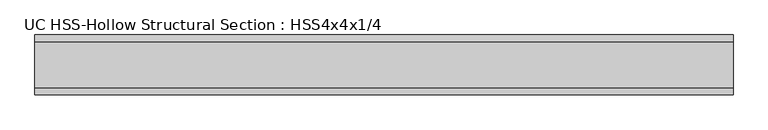
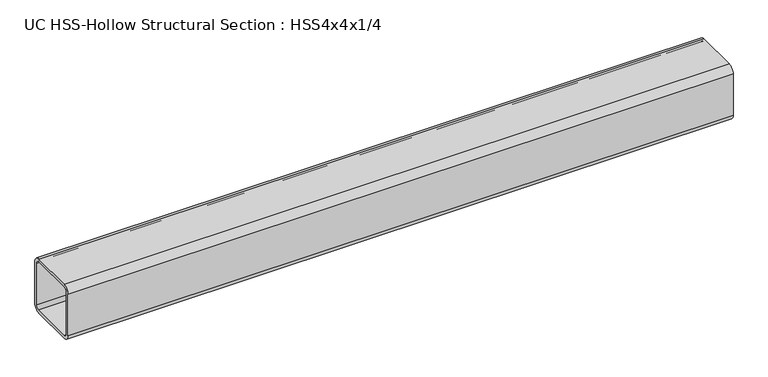
"""IFC4 building model written with IfcOpenShell, lengths in millimetres: beam geometry, UC HSS-Hollow Structural Section : HSS4x4x1/4."""

from ifc_helpers import new_model, si_unit, point, frame, frame_2d, origin, place, context, project, spatial, polyline, circle_curve, trimmed, segment, composite_curve, outline, extrude, source, transform, mapped, element, save


def uc_hss_hollow_structural_section_hss4x4x1_4_6d4ca814(model_context):
    return source(origin(), model_context, "Body", "SweptSolid", [
        extrude(outline(composite_curve([segment(polyline([(50.8, 38.9636), (50.8, -38.9636)]), True, "CONTINUOUS"), segment(trimmed(circle_curve(frame_2d((38.9636, -38.9636)), 11.8364), [point((50.8, -38.9636))], [point((38.9636, -50.8))], False, "CARTESIAN"), True, "CONTINUOUS"), segment(polyline([(38.9636, -50.8), (-38.9636, -50.8)]), True, "CONTINUOUS"), segment(trimmed(circle_curve(frame_2d((-38.9636, -38.9636)), 11.8364), [point((-38.9636, -50.8))], [point((-50.8, -38.9636))], False, "CARTESIAN"), True, "CONTINUOUS"), segment(polyline([(-50.8, -38.9636), (-50.8, 38.9636)]), True, "CONTINUOUS"), segment(trimmed(circle_curve(frame_2d((-38.9636, 38.9636)), 11.8364), [point((-50.8, 38.9636))], [point((-38.9636, 50.8))], False, "CARTESIAN"), True, "CONTINUOUS"), segment(polyline([(-38.9636, 50.8), (38.9636, 50.8)]), True, "CONTINUOUS"), segment(trimmed(circle_curve(frame_2d((38.9636, 38.9636)), 11.8364), [point((38.9636, 50.8))], [point((50.8, 38.9636))], False, "CARTESIAN"), True, "CONTINUOUS")], self_intersect=False), holes=[composite_curve([segment(trimmed(circle_curve(frame_2d((-38.9636, 38.9636)), 5.9182), [point((-38.9636, 44.8818))], [point((-44.8818, 38.9636))], True, "CARTESIAN"), True, "CONTINUOUS"), segment(polyline([(-44.8818, 38.9636), (-44.8818, -38.9636)]), True, "CONTINUOUS"), segment(trimmed(circle_curve(frame_2d((-38.9636, -38.9636)), 5.9182), [point((-44.8818, -38.9636))], [point((-38.9636, -44.8818))], True, "CARTESIAN"), True, "CONTINUOUS"), segment(polyline([(-38.9636, -44.8818), (38.9636, -44.8818)]), True, "CONTINUOUS"), segment(trimmed(circle_curve(frame_2d((38.9636, -38.9636)), 5.9182), [point((38.9636, -44.8818))], [point((44.8818, -38.9636))], True, "CARTESIAN"), True, "CONTINUOUS"), segment(polyline([(44.8818, -38.9636), (44.8818, 38.9636)]), True, "CONTINUOUS"), segment(trimmed(circle_curve(frame_2d((38.9636, 38.9636)), 5.9182), [point((44.8818, 38.9636))], [point((38.9636, 44.8818))], True, "CARTESIAN"), True, "CONTINUOUS"), segment(polyline([(38.9636, 44.8818), (-38.9636, 44.8818)]), True, "CONTINUOUS")], self_intersect=False)]), frame((-533.4, 0.0, 0.0), z_axis=(1.0, 0.0, 0.0), x_axis=(0.0, 1.0, 0.0)), (0.0, 0.0, 1.0), 1182.8969024),
    ])


if __name__ == "__main__":
    model = new_model("IFC4")
    model_context = context("Model", 3, world=origin())
    ifc_project = project(units=[si_unit("LENGTHUNIT", "METRE", prefix="MILLI")], contexts=[model_context])
    site = spatial("IfcSite", under=ifc_project)
    building = spatial("IfcBuilding", under=site)
    placement = place(None, origin())
    uc_hss_hollow_structural_section_hss4x4x1_4_shape = uc_hss_hollow_structural_section_hss4x4x1_4_6d4ca814(model_context)
    element("IfcBeam", 1, ObjectType="UC HSS-Hollow Structural Section : HSS4x4x1/4", at=placement, inside=building, context=model_context, shape_type="MappedRepresentation", body=[
        mapped(uc_hss_hollow_structural_section_hss4x4x1_4_shape, transform((0.0, 0.0, 0.0), x_axis=(1.0, 0.0, 0.0), y_axis=(0.0, 1.0, 0.0), z_axis=(0.0, 0.0, 1.0))),
    ])
    save(model, "model.ifc")
